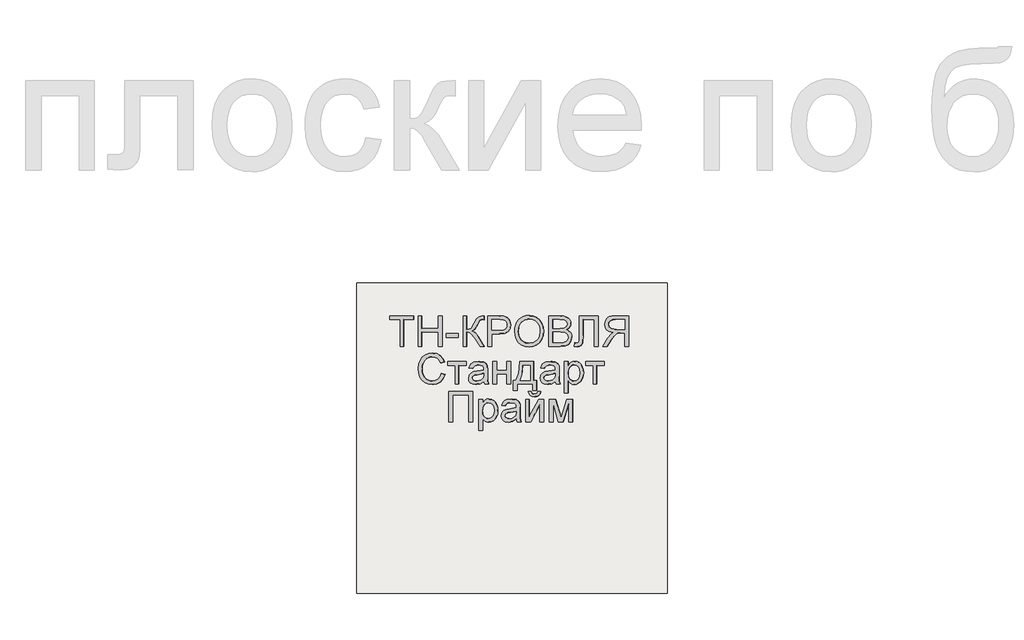
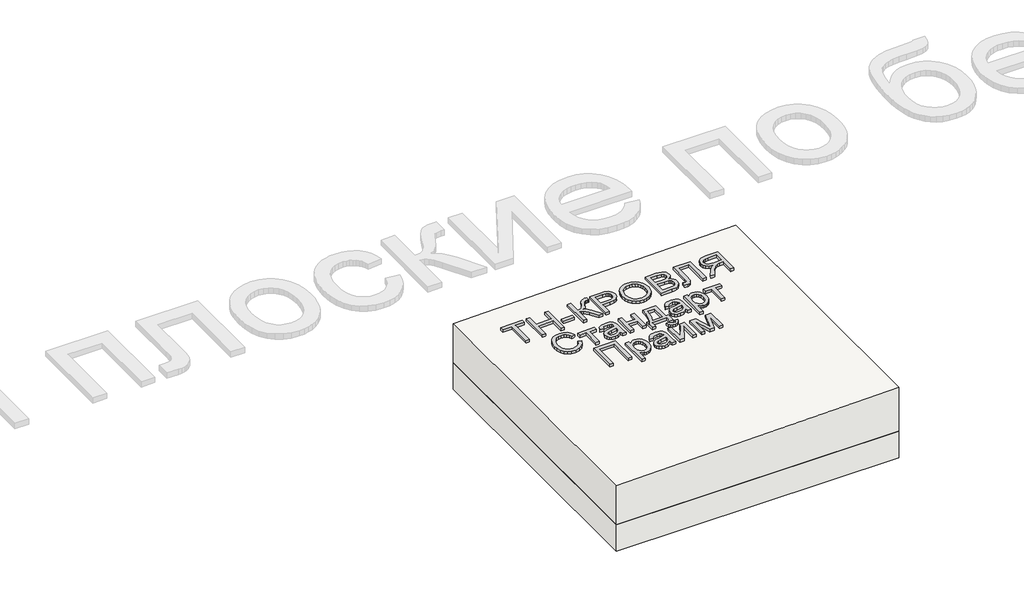
# One storey, part 1 of 2: 1 proxy, 1 roof, 1 slab.
"""IFC4 building model written with IfcOpenShell, lengths in millimetres."""

import ifcopenshell
import ifcopenshell.guid

model = None  # the IFC model being written
_history = None  # IfcOwnerHistory: only IFC2X3 demands one
_inside = {}  # id of a spatial element -> (the spatial element, [elements in it])
_under = {}  # id of a project, library or spatial element -> (it, [spatial elements below it])
_declared = {}  # id of a project -> (the project, [libraries it declares])
_typed = {}  # id of a type object -> (the type object, [elements of that type])
_made_of = {}  # id of a material, layer set ... -> (it, [elements and type objects made of it])


def new_model(schema):
    """Start an empty IFC model of exactly this schema.

    Asked for "IFC4X3", IfcOpenShell would pick the latest addendum, in which some entities
    have other attributes; the version numbers below select the first issue.
    IFC2X3 requires an IfcOwnerHistory on every rooted entity: one is made here for all.
    """
    global model, _history
    if schema == "IFC4X3":
        model = ifcopenshell.file(schema_version=(4, 3, 0, 0))
    else:
        model = ifcopenshell.file(schema=schema)
    _inside.clear()
    _under.clear()
    _declared.clear()
    _typed.clear()
    _made_of.clear()
    _history = None
    if model.schema == "IFC2X3":
        org = make("IfcOrganization", Name="unknown")
        user = make(
            "IfcPersonAndOrganization",
            ThePerson=make("IfcPerson", FamilyName="unknown"),
            TheOrganization=org,
        )
        app = make(
            "IfcApplication",
            ApplicationDeveloper=org,
            Version="unknown",
            ApplicationFullName="unknown",
            ApplicationIdentifier="unknown",
        )
        _history = make(
            "IfcOwnerHistory",
            OwningUser=user,
            OwningApplication=app,
            ChangeAction="ADDED",
            CreationDate=0,
        )
    return model


def make(cls, **values):
    """One entity of the class cls with the attributes given. An attribute that is None is left unset."""
    return model.create_entity(
        cls, **{name: value for name, value in values.items() if value is not None}
    )


def rooted(cls, **values):
    """An entity with a GlobalId (a new one), such as an element, a storey or a relation."""
    return make(cls, GlobalId=ifcopenshell.guid.new(), OwnerHistory=_history, **values)


def si_unit(unit_type, name, prefix=None):
    """IfcSIUnit, for example si_unit("LENGTHUNIT", "METRE", prefix="MILLI")."""
    return make("IfcSIUnit", UnitType=unit_type, Prefix=prefix, Name=name)


def assignment(units):
    """IfcUnitAssignment: the units of a project."""
    return None if units is None else make("IfcUnitAssignment", Units=units)


def point(xyz):
    """IfcCartesianPoint."""
    return None if xyz is None else make("IfcCartesianPoint", Coordinates=xyz)


def direction(xyz):
    """IfcDirection."""
    return None if xyz is None else make("IfcDirection", DirectionRatios=xyz)


def frame(location, z_axis=None, x_axis=None):
    """IfcAxis2Placement3D, a coordinate frame: its origin and axes. An axis left out is left unset."""
    return make(
        "IfcAxis2Placement3D",
        Location=point(location),
        Axis=direction(z_axis),
        RefDirection=direction(x_axis),
    )


def origin():
    """The frame at (0, 0, 0) with its axes left unset."""
    return frame((0.0, 0.0, 0.0))


def place(relative_to, where):
    """IfcLocalPlacement: puts the frame where relative to a parent placement (None: the world)."""
    return make(
        "IfcLocalPlacement", PlacementRelTo=relative_to, RelativePlacement=where
    )


def context(
    kind, dimensions, precision=None, world=None, true_north=None, identifier=None
):
    """IfcGeometricRepresentationContext, for example the 3D "Model" context."""
    return make(
        "IfcGeometricRepresentationContext",
        ContextIdentifier=identifier,
        ContextType=kind,
        CoordinateSpaceDimension=dimensions,
        Precision=precision,
        WorldCoordinateSystem=world,
        TrueNorth=true_north,
    )


def project(units=None, contexts=None):
    """IfcProject with its units and contexts."""
    return rooted(
        "IfcProject",
        Name="project",
        RepresentationContexts=contexts,
        UnitsInContext=assignment(units),
    )


def spatial(cls, under=None, at=None, **own):
    """A site, building, storey or space (cls), placed at a placement, below another one or the project."""
    s = rooted(cls, ObjectPlacement=at, **own)
    if under is not None:
        _under.setdefault(under.id(), (under, []))[1].append(s)
    return s


def polyline(points):
    """IfcPolyline through the points."""
    return make("IfcPolyline", Points=[point(p) for p in points])


def outline(outer, holes=None, kind="AREA"):
    """IfcArbitraryClosedProfileDef: a profile drawn as a closed curve; with holes, ...WithVoids."""
    if holes is None:
        return make("IfcArbitraryClosedProfileDef", ProfileType=kind, OuterCurve=outer)
    return make(
        "IfcArbitraryProfileDefWithVoids",
        ProfileType=kind,
        OuterCurve=outer,
        InnerCurves=holes,
    )


def extrude(swept, where, along, depth):
    """IfcExtrudedAreaSolid: the profile swept, set in the frame where, extruded along a direction by depth."""
    return make(
        "IfcExtrudedAreaSolid",
        SweptArea=swept,
        Position=where,
        ExtrudedDirection=direction(along),
        Depth=depth,
    )


def shape(context_of_items, identifier, shape_type, items):
    """IfcShapeRepresentation: the items that make up one representation, for example the "Body"."""
    return make(
        "IfcShapeRepresentation",
        ContextOfItems=context_of_items,
        RepresentationIdentifier=identifier,
        RepresentationType=shape_type,
        Items=items,
    )


def made_of(thing, what):
    """Note that an element or type object is made of a material, layer set ...; save() writes the relation."""
    if what is not None:
        _made_of.setdefault(what.id(), (what, []))[1].append(thing)
    return thing


def element(
    cls,
    number,
    at=None,
    inside=None,
    cuts=None,
    type_object=None,
    material=None,
    context=None,
    identifier="Body",
    shape_type=None,
    held_by="IfcProductDefinitionShape",
    body=None,
    shapes=None,
    **own,
):
    """One element of the class cls, such as IfcWall. Its Tag is "e" and its number.

    at: its placement. inside: the storey or other place that contains it. cuts: it is an
    opening in that element (IfcRelVoidsElement). A single representation is given by context,
    identifier, shape_type and body (its items); several are given by shapes. held_by: the class
    of the entity that holds the representations. save() writes the other relations.
    """
    e = rooted(cls, Tag="e%d" % number, ObjectPlacement=at, **own)
    if body is not None:
        shapes = [shape(context, identifier, shape_type, body)]
    if shapes is not None:
        e.Representation = make(held_by, Representations=shapes)
    if inside is not None:
        _inside.setdefault(inside.id(), (inside, []))[1].append(e)
    if cuts is not None:
        rooted(
            "IfcRelVoidsElement", RelatingBuildingElement=cuts, RelatedOpeningElement=e
        )
    if type_object is not None:
        _typed.setdefault(type_object.id(), (type_object, []))[1].append(e)
    return made_of(e, material)


def aggregate(whole, parts):
    """IfcRelAggregates: a whole, such as a stair, and the parts it consists of."""
    return rooted("IfcRelAggregates", RelatingObject=whole, RelatedObjects=parts)


def save(model, path):
    """Write the relations noted so far, then the file.

    IfcRelAggregates (storeys below a building ...), IfcRelContainedInSpatialStructure (elements
    in a storey), IfcRelDefinesByType, IfcRelAssociatesMaterial and IfcRelDeclares: one each for
    every whole, place, type object, material and project.
    """
    for whole, parts in _under.values():
        aggregate(whole, parts)
    for where, things in _inside.values():
        rooted(
            "IfcRelContainedInSpatialStructure",
            RelatedElements=things,
            RelatingStructure=where,
        )
    for kind, things in _typed.values():
        rooted("IfcRelDefinesByType", RelatedObjects=things, RelatingType=kind)
    for what, things in _made_of.values():
        rooted("IfcRelAssociatesMaterial", RelatedObjects=things, RelatingMaterial=what)
    for by, libraries in _declared.values():
        rooted("IfcRelDeclares", RelatingContext=by, RelatedDefinitions=libraries)
    model.write(path)


model = new_model("IFC4")

# Units and contexts
model_context = context("Model", 3, world=origin())
ifc_project = project(units=[si_unit("LENGTHUNIT", "METRE", prefix="MILLI")], contexts=[model_context])

# Site, building, storey
site = spatial("IfcSite", under=ifc_project)
building = spatial("IfcBuilding", under=site)
storey = spatial("IfcBuildingStorey", under=building, Elevation=0.0)

# Proxy
placement = place(None, origin())
element("IfcBuildingElementProxy", 1, Name="Generic Models", at=placement, inside=storey, context=model_context, shape_type="SweptSolid", body=[
    extrude(outline(polyline([(24.6153846, 0.0), (24.6153846, -172.3076923), (89.2307692, -172.3076923), (89.2307692, -196.9230769), (-64.6153846, -196.9230769), (-64.6153846, -172.3076923), (0.0, -172.3076923), (0.0, 0.0), (24.6153846, 0.0)])), frame((4009.621708, -4710.2316754, 295.0645223), z_axis=(-0.019996001199563986, 0.0, 0.9998000599800078), x_axis=(-0.9998000599800078, 0.0, -0.019996001199563986)), (0.0, 0.0, 1.0), 20.0),
    extrude(outline(polyline([(24.6153846, 0.0), (24.6153846, -196.9230769), (0.0, -196.9230769), (0.0, -116.9230769), (-104.6153846, -116.9230769), (-104.6153846, -196.9230769), (-129.2307693, -196.9230769), (-129.2307693, 0.0), (-104.6153846, 0.0), (-104.6153846, -92.3076923), (0.0, -92.3076923), (0.0, 0.0), (24.6153846, 0.0)])), frame((4126.5214073, -4710.2316754, 297.4025162), z_axis=(-0.01999600119956399, 0.0, 0.9998000599800078), x_axis=(-0.9998000599800078, 0.0, -0.01999600119956399)), (0.0, 0.0, 1.0), 20.0),
    extrude(outline(polyline([(76.923077, 0.0), (76.923077, -24.6153846), (0.0, -24.6153846), (0.0, 0.0), (76.923077, 0.0)])), frame((4360.320806, -4651.7701369, 302.0785042), z_axis=(-0.01999600119956399, 0.0, 0.9998000599800079), x_axis=(-0.9998000599800079, 0.0, -0.01999600119956399)), (0.0, 0.0, 1.0), 20.0),
    extrude(outline(polyline([(196.9230769, 0.0), (196.9230769, -24.6153846), (110.7692308, -24.6153846), (112.3978365, -41.2800481), (117.2836538, -52.1394232), (128.7800481, -60.9194711), (150.2403846, -71.3461539), (177.7644231, -84.9278847), (191.3942308, -100.3125), (196.9230769, -122.3076923), (196.6346154, -138.4615385), (172.0192308, -138.4615385), (172.1634615, -133.0288462), (172.3076923, -127.5961539), (170.8293269, -116.3221154), (166.3942308, -108.3653847), (141.0576923, -93.7500001), (110.1923077, -76.3221154), (100.0, -59.3269231), (88.8701923, -78.329327), (65.6730769, -97.0673077), (0.0, -138.4615385), (0.0, -109.9038462), (55.4807692, -74.9038462), (84.4471154, -50.2644231), (90.3425481, -38.8882212), (92.3076923, -24.6153846), (0.0, -24.6153846), (0.0, 0.0), (196.9230769, 0.0)])), frame((4391.0838847, -4710.2316754, 302.6937658), z_axis=(-0.019996001199563986, 0.0, 0.9998000599800078), x_axis=(0.0, 1.0, 0.0)), (0.0, 0.0, 1.0), 20.0),
    extrude(outline(polyline([(24.6153846, 0.0), (24.6153846, -196.9230769), (-48.3653847, -196.9230769), (-77.7884616, -195.0480769), (-101.7067308, -185.8413461), (-110.4026443, -177.6802885), (-117.2115385, -166.8028846), (-123.0769231, -139.9519231), (-119.1165866, -116.7427885), (-107.235577, -97.4038461), (-97.7208534, -89.7896635), (-85.0180289, -84.3509615), (-50.048077, -80.0), (0.0, -80.0), (0.0, 0.0), (24.6153846, 0.0)]), holes=[polyline([(0.0, -104.6153846), (-51.4903847, -104.6153846), (-73.3173078, -106.875), (-87.7403846, -113.6538461), (-95.78125, -124.53125), (-98.4615385, -139.0865385), (-96.8810097, -150.1442308), (-92.1394232, -159.4711538), (-84.8257212, -166.4903846), (-75.5288462, -170.625), (-50.9134615, -172.3076923), (0.0, -172.3076923), (0.0, -104.6153846)])]), frame((4575.6623573, -4710.2316754, 306.3853352), z_axis=(-0.01999600119956399, 0.0, 0.9998000599800078), x_axis=(-0.9998000599800078, 0.0, -0.01999600119956399)), (0.0, 0.0, 1.0), 20.0),
    extrude(outline(polyline([(25.3428445, 0.0), (48.1160484, -4.1938573), (67.8912361, -11.3545773), (84.6684074, -21.48216), (98.4475626, -34.5766053), (108.9049086, -49.9093782), (115.7166524, -66.7519434), (118.8827941, -85.1043011), (118.4033337, -104.9664512), (112.3116986, -130.2760814), (100.0658902, -152.2136344), (82.4868293, -169.6009171), (60.3954366, -181.2597367), (34.812491, -187.0380147), (6.7587717, -186.7836729), (-21.0136463, -180.6528553), (-44.9882084, -168.8870737), (-63.9421568, -152.1247694), (-76.6527338, -131.0043835), (-83.1347827, -107.1750808), (-83.4031474, -82.2860261), (-77.1659621, -56.5935493), (-64.600884, -34.5586152), (-46.7404789, -17.2511253), (-24.6173127, -5.740981), (0.0, 0.0), (25.3428445, 0.0)]), holes=[polyline([(22.3721769, -24.4366544), (-8.7890431, -25.9094148), (-33.7562618, -37.9787802), (-50.9832576, -58.3865327), (-58.9238091, -84.8744541), (-57.0179297, -112.8610054), (-44.5775814, -136.6179286), (-34.5460353, -146.3414541), (-22.1589798, -153.8699217), (9.6816594, -162.341683), (31.570013, -162.6815636), (50.9840871, -158.5364568), (67.4340475, -150.0149318), (80.43006, -137.2255581), (89.4380632, -121.0520254), (93.9239955, -102.3780231), (92.2935561, -75.5530127), (81.0850249, -51.6494365), (71.4163804, -41.5325654), (58.4080243, -33.6248114), (22.3721769, -24.4366544)])]), frame((4726.1370731, -4639.5525889, 309.3948296), z_axis=(-0.019996001199563986, 0.0, 0.9998000599800078), x_axis=(-0.11095588221398768, 0.9938228553011832, -0.002219117644275733)), (0.0, 0.0, 1.0), 20.0),
    extrude(outline(polyline([(74.5673077, 0.0), (74.5673077, -196.9230769), (-0.5769231, -196.9230769), (-21.2439903, -195.4747596), (-37.3798076, -191.1298077), (-49.7475961, -183.7800481), (-59.1105769, -173.3173077), (-65.0060096, -161.0096154), (-66.9711538, -148.125), (-65.3185096, -136.2680288), (-60.3605769, -125.1201923), (-52.061298, -115.3665865), (-40.3846154, -107.6923077), (-54.3329326, -100.4086538), (-64.639423, -89.3269231), (-71.0036058, -75.1802885), (-73.125, -58.7019231), (-67.3317307, -32.2355769), (-52.9807692, -13.3894231), (-31.5625, -3.3894231), (0.0, 0.0), (74.5673077, 0.0)]), holes=[polyline([(49.9519231, -116.9230769), (5.0, -116.9230769), (-21.2499999, -119.0384615), (-37.0432692, -128.1490385), (-42.3557692, -144.1826923), (-37.4038461, -160.2403846), (-23.2211538, -169.7355769), (8.4134616, -172.3076923), (49.9519231, -172.3076923), (49.9519231, -116.9230769)]), polyline([(49.9519231, -24.6153846), (-0.5288461, -24.6153846), (-18.7980769, -25.5769231), (-34.2548077, -30.9375), (-44.4951923, -41.875), (-48.5096153, -58.4615385), (-43.7980769, -77.5961538), (-37.6262019, -84.5132211), (-28.5336538, -89.0144231), (1.875, -92.3076923), (49.9519231, -92.3076923), (49.9519231, -24.6153846)])]), frame((5019.3717013, -4710.2316754, 315.2595221), z_axis=(-0.019996001199563986, 0.0, 0.9998000599800078), x_axis=(-0.9998000599800078, 0.0, -0.019996001199563986)), (0.0, 0.0, 1.0), 20.0),
    extrude(outline(polyline([(137.6442308, 0.0), (137.6442308, -120.0), (-59.2788461, -120.0), (-59.2788461, -95.3846154), (113.0288462, -95.3846154), (113.0288462, -24.6153846), (12.548077, -24.6153846), (-32.2836538, -21.7548077), (-44.951923, -17.3257211), (-54.4471153, -9.7596153), (-60.3786057, 0.6009616), (-62.3557692, 13.4134616), (-59.2788461, 33.8461539), (-34.6634615, 30.7692308), (-37.7403846, 18.9903846), (-36.0877403, 10.6670673), (-31.1298076, 4.7355769), (-20.0420673, 1.1838942), (0.0, 0.0), (137.6442308, 0.0)])), frame((5141.7030067, -4650.9528293, 317.7061482), z_axis=(-0.019996001199563986, 0.0, 0.9998000599800078), x_axis=(0.0, 1.0, 0.0)), (0.0, 0.0, 1.0), 20.0),
    extrude(outline(polyline([(24.6153846, -110.7692308), (0.0, -110.7692308), (0.0, -24.6153847), (-29.7115384, -24.6153847), (-43.9903846, -25.4807693), (-55.6971154, -30.1682693), (-68.7019231, -42.9326923), (-87.2115385, -69.9519231), (-112.8365384, -110.7692308), (-141.4423077, -110.7692308), (-108.6057692, -57.4038462), (-88.6538462, -32.0673077), (-74.6634615, -21.5384616), (-98.9122596, -15.0120193), (-115.8894231, -3.2211539), (-125.8954327, 12.8605769), (-129.2307692, 32.2596153), (-127.2175481, 47.8545673), (-121.1778846, 62.0432692), (-111.766827, 73.4855769), (-99.6394231, 80.8413461), (-83.046875, 84.8257211), (-60.2403847, 86.1538461), (24.6153846, 86.1538461), (24.6153846, -110.7692308)]), holes=[polyline([(0.0, 0.0), (0.0, 61.5384615), (-61.2980769, 61.5384615), (-80.7752404, 59.4110577), (-94.2067308, 53.0288461), (-102.0132211, 43.3533653), (-104.6153846, 31.3461538), (-99.1586539, 14.639423), (-83.1971154, 3.4855769), (-55.0961538, 0.0), (0.0, 0.0)])]), frame((5433.952255, -4599.4624446, 323.5511332), z_axis=(-0.01999600119956399, 0.0, 0.9998000599800078), x_axis=(0.9998000599800078, 0.0, 0.01999600119956399)), (0.0, 0.0, 1.0), 20.0),
    extrude(outline(polyline([(22.5354079, 0.0), (25.2963081, -25.2699082), (-5.5506296, -24.7796777), (-31.452572, -15.5094536), (-51.7172012, 1.8643534), (-65.6521992, 26.665333), (-72.7161385, 54.5176714), (-71.6541095, 79.1565774), (-62.9869172, 101.0084672), (-47.2353668, 120.4997567), (-26.1873801, 136.7174456), (-1.6308787, 148.7485329), (26.2607092, 156.1677692), (52.5465361, 156.7492123), (76.3287427, 150.6419577), (96.7094699, 137.995101), (113.000055, 120.0196259), (124.5118356, 97.9265161), (130.46148, 71.3235406), (127.5854564, 46.3849145), (116.3008345, 24.0133527), (97.024684, 5.1115704), (82.8399673, 26.0666106), (96.6174416, 40.3925606), (104.0173216, 55.650124), (105.4046693, 72.1313636), (101.1445465, 90.1283425), (91.2118018, 108.9763123), (77.6877546, 122.4335433), (61.4947541, 130.4051578), (43.5551487, 132.796278), (25.0378535, 130.8321412), (7.1117837, 125.7379847), (-13.5055529, 115.9656325), (-29.9321499, 103.8061216), (-41.3909419, 89.3281159), (-47.1048631, 72.6002794), (-47.6221488, 54.9380281), (-43.4910344, 37.6567781), (-33.3749751, 19.5140243), (-18.757379, 6.7332198), (0.0, 0.0), (22.5354079, 0.0)])), frame((4243.150728, -4904.3903293, 299.7351027), z_axis=(-0.01999600119956399, 0.0, 0.9998000599800078), x_axis=(0.35327287482610065, 0.9354936425345003, 0.007065457496509239)), (0.0, 0.0, 1.0), 20.0),
    extrude(outline(polyline([(24.6153846, 0.0), (24.6153846, -116.9230769), (0.0, -116.9230769), (0.0, -70.7692308), (-120.0, -70.7692308), (-120.0, -46.1538462), (0.0, -46.1538462), (0.0, 0.0), (24.6153846, 0.0)])), frame((4294.1801866, -4833.3085985, 300.7556918), z_axis=(-0.019996001199563986, 0.0, 0.9998000599800078), x_axis=(0.0, 1.0, 0.0)), (0.0, 0.0, 1.0), 20.0),
    extrude(outline(polyline([(19.4601702, -1e-07), (11.1819963, 27.9207832), (14.9143961, 54.4732733), (24.1902839, 73.0649574), (37.3011934, 84.6897486), (52.8826325, 89.3590492), (69.5701086, 87.0842617), (86.5521477, 76.4571843), (96.0465823, 60.2429097), (98.2586563, 41.3376584), (95.0355657, 19.9618776), (89.5623928, -23.2153749), (94.7162973, -25.0853757), (105.6740454, -26.9515756), (114.1004512, -24.4012291), (122.7587066, -15.3020791), (129.4557417, -0.8361792), (132.8384667, 24.2872046), (128.8153045, 32.9891693), (120.6530554, 40.8663574), (131.3561489, 63.2455532), (150.7935143, 45.5413592), (155.5977438, 34.3745662), (157.376525, 20.7448455), (151.8045309, -11.6304924), (138.2204199, -38.5478606), (122.4698447, -51.060142), (104.2335367, -52.9377443), (83.4202766, -47.2669291), (54.3668506, -37.5824538), (13.4016719, -25.2450099), (-7.7840681, -23.3522042), (0.0, 0.0), (19.4601702, -1e-07)]), holes=[polyline([(66.1645787, -15.5681362), (71.5617354, 24.4924486), (74.4731593, 45.8454244), (71.3488897, 56.9970141), (63.4279923, 63.1847402), (55.9042801, 63.7605636), (48.4755881, 60.4405521), (41.8184615, 53.1258846), (36.6094453, 41.7177398), (33.8253486, 28.7094523), (34.3213549, 16.2294778), (42.7667647, -3.5119526), (59.5967713, -13.2268344), (66.1645787, -15.5681362)])]), frame((4531.0558931, -4953.3085985, 305.493206), z_axis=(-0.019996001199563993, 0.0, 0.9998000599800079), x_axis=(-0.3161645394309611, 0.9486832980505197, -0.006323290788607779)), (0.0, 0.0, 1.0), 20.0),
    extrude(outline(polyline([(144.6153846, 0.0), (144.6153846, -24.6153847), (89.2307692, -24.6153847), (89.2307692, -89.2307693), (144.6153846, -89.2307693), (144.6153846, -113.8461539), (0.0, -113.8461539), (0.0, -89.2307693), (64.6153846, -89.2307693), (64.6153846, -24.6153847), (0.0, -24.6153847), (0.0, 0.0), (144.6153846, 0.0)])), frame((4583.353127, -4953.3085985, 306.5391506), z_axis=(-0.019996001199563986, 0.0, 0.9998000599800078), x_axis=(0.0, 1.0, 0.0)), (0.0, 0.0, 1.0), 20.0),
    extrude(outline(polyline([(39.8055302, 1e-07), (42.4115803, -92.2708976), (-77.5405867, -95.6587628), (-77.0193766, -114.1129423), (-141.609005, -115.9371774), (-142.3039517, -91.3316047), (-102.319896, -90.2023163), (-105.1865512, 11.2956711), (-145.1706069, 10.1663827), (-145.8655536, 34.7719555), (-81.2759252, 36.5961906), (-80.8415835, 21.2177076), (-60.3235569, 10.6088539), (-33.3763624, 3.5362846), (0.0, 0.0), (39.8055302, 1e-07)]), holes=[polyline([(15.8080359, -22.2248228), (-40.4142184, -18.0412029), (-80.0597685, -6.4635617), (-78.2355334, -71.0531901), (17.1110609, -68.3602716), (15.8080359, -22.2248228)])]), frame((4754.5027948, -4848.4828773, 309.962144), z_axis=(-0.01999600119956399, 0.0, 0.9998000599800078), x_axis=(0.028226564925572666, 0.999601391724179, 0.0005645312985104388)), (0.0, 0.0, 1.0), 20.0),
    extrude(outline(polyline([(19.4601703, 0.0), (11.1819963, 27.9207833), (14.9143961, 54.4732733), (24.1902839, 73.0649575), (37.3011935, 84.6897487), (52.8826325, 89.3590492), (69.5701086, 87.0842618), (86.5521477, 76.4571844), (96.0465823, 60.2429097), (98.2586564, 41.3376585), (95.0355657, 19.9618777), (89.5623928, -23.2153749), (94.7162973, -25.0853756), (105.6740455, -26.9515756), (114.1004512, -24.401229), (122.7587066, -15.3020791), (129.4557418, -0.8361791), (132.8384667, 24.2872046), (128.8153045, 32.9891694), (120.6530554, 40.8663575), (131.356149, 63.2455533), (150.7935144, 45.5413593), (155.5977439, 34.3745663), (157.376525, 20.7448456), (151.804531, -11.6304923), (138.22042, -38.5478605), (122.4698447, -51.0601419), (104.2335367, -52.9377443), (83.4202766, -47.266929), (54.3668506, -37.5824537), (13.4016719, -25.2450098), (-7.7840681, -23.3522042), (0.0, 0.0), (19.4601703, 0.0)]), holes=[polyline([(66.1645788, -15.5681361), (71.5617354, 24.4924486), (74.4731593, 45.8454244), (71.3488898, 56.9970142), (63.4279923, 63.1847402), (55.9042801, 63.7605636), (48.4755881, 60.4405522), (41.8184616, 53.1258847), (36.6094453, 41.7177399), (33.8253486, 28.7094523), (34.3213549, 16.2294779), (42.7667647, -3.5119525), (59.5967713, -13.2268344), (66.1645788, -15.5681361)])]), frame((4992.5020747, -4953.3085985, 314.7221296), z_axis=(-0.019996001199563993, 0.0, 0.9998000599800079), x_axis=(-0.31616453943096107, 0.9486832980505197, -0.006323290788607778)), (0.0, 0.0, 1.0), 20.0),
    extrude(outline(polyline([(24.6153846, 0.0), (24.6153846, -200.0), (0.0, -200.0), (0.0, -175.8653846), (-17.0192307, -196.2740385), (-27.5, -201.376202), (-40.0, -203.0769231), (-56.6466346, -200.6971154), (-71.201923, -193.5576923), (-83.0528846, -182.0913462), (-91.5865384, -166.7307693), (-96.7427885, -148.59375), (-98.4615384, -128.798077), (-96.5204327, -107.7463943), (-90.6971154, -88.9182693), (-81.1778846, -73.2692308), (-68.1490384, -61.7548077), (-52.9747596, -54.6694712), (-37.0192307, -52.3076923), (-25.703125, -53.8882212), (-15.6009616, -58.6298077), (0.0, -74.6153846), (0.0, 0.0), (24.6153846, 0.0)]), holes=[polyline([(0.0, -126.5384616), (-2.6622596, -104.4711539), (-10.6490385, -89.0384616), (-22.4338942, -79.9519231), (-36.4903846, -76.923077), (-50.7752404, -80.0600962), (-62.8605769, -89.4711539), (-71.0997596, -105.46875), (-73.8461538, -128.3653846), (-71.1658654, -150.3125), (-63.125, -165.9615385), (-51.3581731, -175.3365385), (-37.5, -178.4615385), (-23.5877403, -175.1382212), (-11.3701923, -165.1682693), (-2.842548, -148.8641827), (0.0, -126.5384616)])]), frame((5069.4097716, -5008.6932139, 316.2602835), z_axis=(-0.01999600119956399, 0.0, 0.9998000599800078), x_axis=(-0.9998000599800078, 0.0, -0.01999600119956399)), (0.0, 0.0, 1.0), 20.0),
    extrude(outline(polyline([(24.6153846, 0.0), (24.6153846, -116.9230769), (0.0, -116.9230769), (0.0, -70.7692308), (-120.0, -70.7692308), (-120.0, -46.1538462), (0.0, -46.1538462), (0.0, 0.0), (24.6153846, 0.0)])), frame((5183.233163, -4833.3085985, 318.5367514), z_axis=(-0.019996001199563986, 0.0, 0.9998000599800078), x_axis=(0.0, 1.0, 0.0)), (0.0, 0.0, 1.0), 20.0),
    extrude(outline(polyline([(196.923077, 0.0), (196.923077, -153.8461539), (0.0, -153.8461539), (0.0, -129.2307693), (172.3076923, -129.2307693), (172.3076923, -24.6153846), (0.0, -24.6153846), (0.0, 0.0), (196.923077, 0.0)])), frame((4298.7946484, -5196.3855216, 300.8479811), z_axis=(-0.019996001199563986, 0.0, 0.9998000599800078), x_axis=(0.0, 1.0, 0.0)), (0.0, 0.0, 1.0), 20.0),
    extrude(outline(polyline([(24.6153846, 0.0), (24.6153846, -200.0), (0.0, -200.0), (0.0, -175.8653846), (-17.0192307, -196.2740384), (-27.5, -201.3762019), (-40.0, -203.076923), (-56.6466346, -200.6971153), (-71.201923, -193.5576923), (-83.0528846, -182.0913461), (-91.5865384, -166.7307692), (-96.7427885, -148.59375), (-98.4615384, -128.7980769), (-96.5204327, -107.7463942), (-90.6971154, -88.9182692), (-81.1778846, -73.2692307), (-68.1490384, -61.7548076), (-52.9747596, -54.6694711), (-37.0192307, -52.3076923), (-25.703125, -53.8882211), (-15.6009616, -58.6298076), (0.0, -74.6153846), (0.0, 0.0), (24.6153846, 0.0)]), holes=[polyline([(0.0, -126.5384615), (-2.6622596, -104.4711538), (-10.6490385, -89.0384615), (-22.4338942, -79.951923), (-36.4903846, -76.9230769), (-50.7752404, -80.0600961), (-62.8605769, -89.4711538), (-71.0997596, -105.46875), (-73.8461538, -128.3653846), (-71.1658654, -150.3125), (-63.125, -165.9615384), (-51.3581731, -175.3365384), (-37.5, -178.4615384), (-23.5877403, -175.1382211), (-11.3701923, -165.1682692), (-2.842548, -148.8641826), (0.0, -126.5384615)])]), frame((4517.2125077, -5251.7701369, 305.2163382), z_axis=(-0.01999600119956399, 0.0, 0.9998000599800078), x_axis=(-0.9998000599800078, 0.0, -0.01999600119956399)), (0.0, 0.0, 1.0), 20.0),
    extrude(outline(polyline([(19.4601703, 0.0), (11.1819963, 27.9207833), (14.9143962, 54.4732733), (24.1902839, 73.0649574), (37.3011935, 84.6897485), (52.8826325, 89.3590492), (69.5701086, 87.0842617), (86.5521477, 76.4571844), (96.0465823, 60.2429097), (98.2586564, 41.3376585), (95.0355657, 19.9618777), (89.5623928, -23.2153749), (94.7162973, -25.0853756), (105.6740455, -26.9515756), (114.1004512, -24.4012291), (122.7587066, -15.3020792), (129.4557417, -0.8361792), (132.8384667, 24.2872046), (128.8153045, 32.9891694), (120.6530554, 40.8663574), (131.356149, 63.2455531), (150.7935143, 45.5413592), (155.5977439, 34.3745663), (157.3765251, 20.7448455), (151.8045309, -11.6304924), (138.2204199, -38.5478606), (122.4698447, -51.0601419), (104.2335367, -52.9377443), (83.4202766, -47.2669291), (54.3668506, -37.5824538), (13.4016719, -25.2450098), (-7.7840681, -23.3522042), (0.0, 0.0), (19.4601703, 0.0)]), holes=[polyline([(66.1645788, -15.5681361), (71.5617354, 24.4924486), (74.4731593, 45.8454244), (71.3488898, 56.9970142), (63.4279923, 63.1847402), (55.9042801, 63.7605636), (48.4755881, 60.4405521), (41.8184615, 53.1258846), (36.6094453, 41.7177399), (33.8253486, 28.7094523), (34.321355, 16.2294779), (42.7667647, -3.5119526), (59.5967713, -13.2268344), (66.1645788, -15.5681361)])]), frame((4741.7829827, -5196.3855216, 309.7077478), z_axis=(-0.019996001199563993, 0.0, 0.9998000599800079), x_axis=(-0.31616453943096107, 0.9486832980505197, -0.006323290788607778)), (0.0, 0.0, 1.0), 20.0),
    extrude(outline(polyline([(15.6311563, 0.0), (23.8078164, -16.5520583), (7.9156219, -19.9721327), (-6.0314993, -17.9672181), (-17.593669, -10.72219), (-26.3310086, 1.5780765), (-31.3680218, 17.1206028), (-30.551609, 31.5061515), (-23.9482381, 44.3265255), (-11.624377, 55.1735276), (-3.447717, 38.6214694), (-12.8170654, 26.2713058), (-10.7584461, 11.7375351), (0.0, 0.0), (15.6311563, 0.0)])), frame((4867.1425287, -5013.4768677, 312.2149387), z_axis=(-0.019996001199563986, 0.0, 0.9998000599800079), x_axis=(0.44281386329435973, 0.8965698237322703, 0.00885627726587118)), (0.0, 0.0, 1.0), 20.0),
    extrude(outline(polyline([(-66.6985355, 48.5583826), (-55.7963222, 26.4889715), (-154.6776287, -22.3580547), (-29.0092433, -27.7362611), (-14.9130221, -56.2713199), (-144.5708121, -120.3218233), (-155.4730254, -98.2524123), (-57.1951793, -49.7034934), (-182.0897572, -44.3720143), (-196.3563255, -15.4921209), (-66.6985355, 48.5583826)])), frame((4867.1425287, -5013.4768677, 312.2149387), z_axis=(-0.019996001199563986, 0.0, 0.9998000599800079), x_axis=(0.44281386329435973, 0.8965698237322703, 0.00885627726587118)), (0.0, 0.0, 1.0), 20.0),
    extrude(outline(polyline([(144.6153847, 0.0), (144.6153847, -42.3557693), (28.8461539, -75.0), (144.6153847, -110.1923078), (144.6153847, -150.7692308), (0.0, -150.7692308), (0.0, -126.1538462), (116.4423077, -126.1538462), (0.0, -90.7692308), (0.0, -58.4615385), (122.0192308, -24.6153847), (0.0, -24.6153847), (0.0, 0.0), (144.6153847, 0.0)])), frame((4947.8956104, -5196.3855216, 313.8300003), z_axis=(-0.019996001199563986, 0.0, 0.9998000599800078), x_axis=(0.0, 1.0, 0.0)), (0.0, 0.0, 1.0), 20.0),
])

# Roof
element("IfcRoof", 2, at=placement, inside=storey, context=model_context, shape_type="SweptSolid", body=[
    extrude(outline(polyline([(289.0, 3706.3955952), (0.0, 3706.3955952), (0.0, 5706.3955952), (329.0, 5706.3955952), (289.0, 3706.3955952)])), frame((0.0, -6302.6148653, 0.0), z_axis=(0.0, 1.0, 0.0), x_axis=(0.0, 0.0, 1.0)), (0.0, 0.0, 1.0), 2000.0),
])

# Slab
element("IfcSlab", 3, at=placement, inside=storey, context=model_context, shape_type="SweptSolid", body=[
    extrude(outline(polyline([(5706.3955952, -6302.6148653), (3706.3955952, -6302.6148653), (3706.3955952, -4302.6148653), (5706.3955952, -4302.6148653), (5706.3955952, -6302.6148653)])), frame((0.0, 0.0, -200.0), z_axis=(0.0, 0.0, 1.0), x_axis=(1.0, 0.0, 0.0)), (0.0, 0.0, 1.0), 200.0),
])

save(model, "model.ifc")
